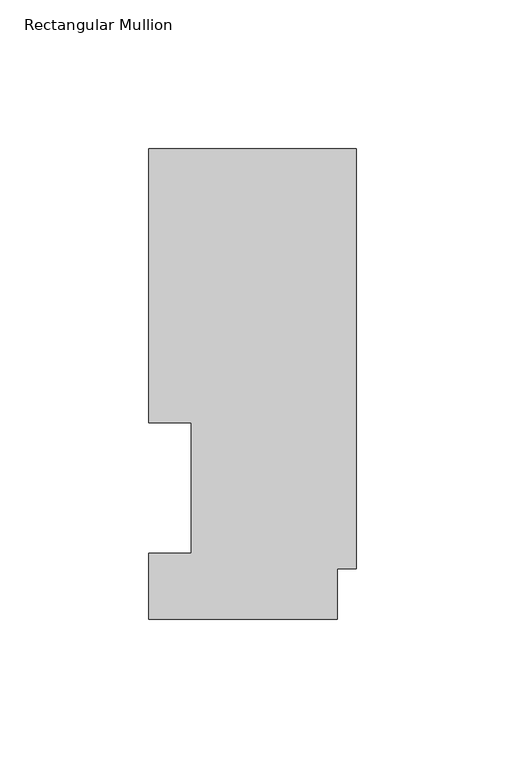
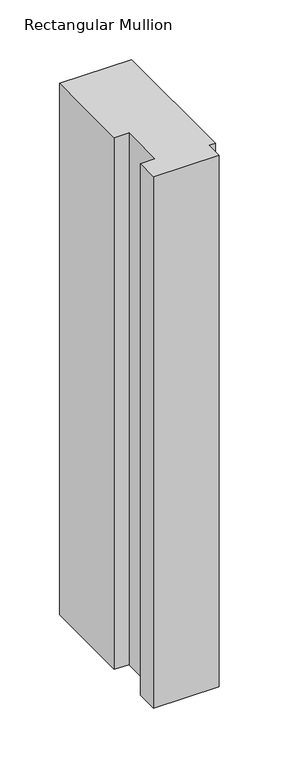
"""IFC4 building model written with IfcOpenShell, lengths in millimetres: member geometry, Rectangular Mullion."""

import ifcopenshell
import ifcopenshell.guid

model = None  # the IFC model being written
_history = None  # IfcOwnerHistory: only IFC2X3 demands one
_inside = {}  # id of a spatial element -> (the spatial element, [elements in it])
_under = {}  # id of a project, library or spatial element -> (it, [spatial elements below it])
_declared = {}  # id of a project -> (the project, [libraries it declares])
_typed = {}  # id of a type object -> (the type object, [elements of that type])
_made_of = {}  # id of a material, layer set ... -> (it, [elements and type objects made of it])


def new_model(schema):
    """Start an empty IFC model of exactly this schema.

    Asked for "IFC4X3", IfcOpenShell would pick the latest addendum, in which some entities
    have other attributes; the version numbers below select the first issue.
    IFC2X3 requires an IfcOwnerHistory on every rooted entity: one is made here for all.
    """
    global model, _history
    if schema == "IFC4X3":
        model = ifcopenshell.file(schema_version=(4, 3, 0, 0))
    else:
        model = ifcopenshell.file(schema=schema)
    _inside.clear()
    _under.clear()
    _declared.clear()
    _typed.clear()
    _made_of.clear()
    _history = None
    if model.schema == "IFC2X3":
        org = make("IfcOrganization", Name="unknown")
        user = make(
            "IfcPersonAndOrganization",
            ThePerson=make("IfcPerson", FamilyName="unknown"),
            TheOrganization=org,
        )
        app = make(
            "IfcApplication",
            ApplicationDeveloper=org,
            Version="unknown",
            ApplicationFullName="unknown",
            ApplicationIdentifier="unknown",
        )
        _history = make(
            "IfcOwnerHistory",
            OwningUser=user,
            OwningApplication=app,
            ChangeAction="ADDED",
            CreationDate=0,
        )
    return model


def make(cls, **values):
    """One entity of the class cls with the attributes given. An attribute that is None is left unset."""
    return model.create_entity(
        cls, **{name: value for name, value in values.items() if value is not None}
    )


def rooted(cls, **values):
    """An entity with a GlobalId (a new one), such as an element, a storey or a relation."""
    return make(cls, GlobalId=ifcopenshell.guid.new(), OwnerHistory=_history, **values)


def si_unit(unit_type, name, prefix=None):
    """IfcSIUnit, for example si_unit("LENGTHUNIT", "METRE", prefix="MILLI")."""
    return make("IfcSIUnit", UnitType=unit_type, Prefix=prefix, Name=name)


def assignment(units):
    """IfcUnitAssignment: the units of a project."""
    return None if units is None else make("IfcUnitAssignment", Units=units)


def point(xyz):
    """IfcCartesianPoint."""
    return None if xyz is None else make("IfcCartesianPoint", Coordinates=xyz)


def direction(xyz):
    """IfcDirection."""
    return None if xyz is None else make("IfcDirection", DirectionRatios=xyz)


def frame(location, z_axis=None, x_axis=None):
    """IfcAxis2Placement3D, a coordinate frame: its origin and axes. An axis left out is left unset."""
    return make(
        "IfcAxis2Placement3D",
        Location=point(location),
        Axis=direction(z_axis),
        RefDirection=direction(x_axis),
    )


def origin():
    """The frame at (0, 0, 0) with its axes left unset."""
    return frame((0.0, 0.0, 0.0))


def place(relative_to, where):
    """IfcLocalPlacement: puts the frame where relative to a parent placement (None: the world)."""
    return make(
        "IfcLocalPlacement", PlacementRelTo=relative_to, RelativePlacement=where
    )


def context(
    kind, dimensions, precision=None, world=None, true_north=None, identifier=None
):
    """IfcGeometricRepresentationContext, for example the 3D "Model" context."""
    return make(
        "IfcGeometricRepresentationContext",
        ContextIdentifier=identifier,
        ContextType=kind,
        CoordinateSpaceDimension=dimensions,
        Precision=precision,
        WorldCoordinateSystem=world,
        TrueNorth=true_north,
    )


def project(units=None, contexts=None):
    """IfcProject with its units and contexts."""
    return rooted(
        "IfcProject",
        Name="project",
        RepresentationContexts=contexts,
        UnitsInContext=assignment(units),
    )


def spatial(cls, under=None, at=None, **own):
    """A site, building, storey or space (cls), placed at a placement, below another one or the project."""
    s = rooted(cls, ObjectPlacement=at, **own)
    if under is not None:
        _under.setdefault(under.id(), (under, []))[1].append(s)
    return s


def polyline(points):
    """IfcPolyline through the points."""
    return make("IfcPolyline", Points=[point(p) for p in points])


def outline(outer, holes=None, kind="AREA"):
    """IfcArbitraryClosedProfileDef: a profile drawn as a closed curve; with holes, ...WithVoids."""
    if holes is None:
        return make("IfcArbitraryClosedProfileDef", ProfileType=kind, OuterCurve=outer)
    return make(
        "IfcArbitraryProfileDefWithVoids",
        ProfileType=kind,
        OuterCurve=outer,
        InnerCurves=holes,
    )


def extrude(swept, where, along, depth):
    """IfcExtrudedAreaSolid: the profile swept, set in the frame where, extruded along a direction by depth."""
    return make(
        "IfcExtrudedAreaSolid",
        SweptArea=swept,
        Position=where,
        ExtrudedDirection=direction(along),
        Depth=depth,
    )


def shape(context_of_items, identifier, shape_type, items):
    """IfcShapeRepresentation: the items that make up one representation, for example the "Body"."""
    return make(
        "IfcShapeRepresentation",
        ContextOfItems=context_of_items,
        RepresentationIdentifier=identifier,
        RepresentationType=shape_type,
        Items=items,
    )


def source(mapping_origin, context_of_items, identifier, shape_type, items):
    """IfcRepresentationMap: a shape defined once, which mapped items show again and again."""
    return make(
        "IfcRepresentationMap",
        MappingOrigin=mapping_origin,
        MappedRepresentation=shape(context_of_items, identifier, shape_type, items),
    )


def transform(
    local_origin,
    x_axis=None,
    y_axis=None,
    z_axis=None,
    scale=None,
    scale2=None,
    scale3=None,
    uniform=True,
):
    """IfcCartesianTransformationOperator3D, or its non-uniform kind. x_axis, y_axis, z_axis: its Axis1, 2, 3."""
    if uniform:
        return make(
            "IfcCartesianTransformationOperator3D",
            Axis1=direction(x_axis),
            Axis2=direction(y_axis),
            LocalOrigin=point(local_origin),
            Scale=scale,
            Axis3=direction(z_axis),
        )
    return make(
        "IfcCartesianTransformationOperator3DnonUniform",
        Axis1=direction(x_axis),
        Axis2=direction(y_axis),
        LocalOrigin=point(local_origin),
        Scale=scale,
        Axis3=direction(z_axis),
        Scale2=scale2,
        Scale3=scale3,
    )


def mapped(mapping_source, mapping_target):
    """IfcMappedItem: shows the shape of a source again, moved by a transform."""
    return make(
        "IfcMappedItem", MappingSource=mapping_source, MappingTarget=mapping_target
    )


def made_of(thing, what):
    """Note that an element or type object is made of a material, layer set ...; save() writes the relation."""
    if what is not None:
        _made_of.setdefault(what.id(), (what, []))[1].append(thing)
    return thing


def element(
    cls,
    number,
    at=None,
    inside=None,
    cuts=None,
    type_object=None,
    material=None,
    context=None,
    identifier="Body",
    shape_type=None,
    held_by="IfcProductDefinitionShape",
    body=None,
    shapes=None,
    **own,
):
    """One element of the class cls, such as IfcWall. Its Tag is "e" and its number.

    at: its placement. inside: the storey or other place that contains it. cuts: it is an
    opening in that element (IfcRelVoidsElement). A single representation is given by context,
    identifier, shape_type and body (its items); several are given by shapes. held_by: the class
    of the entity that holds the representations. save() writes the other relations.
    """
    e = rooted(cls, Tag="e%d" % number, ObjectPlacement=at, **own)
    if body is not None:
        shapes = [shape(context, identifier, shape_type, body)]
    if shapes is not None:
        e.Representation = make(held_by, Representations=shapes)
    if inside is not None:
        _inside.setdefault(inside.id(), (inside, []))[1].append(e)
    if cuts is not None:
        rooted(
            "IfcRelVoidsElement", RelatingBuildingElement=cuts, RelatedOpeningElement=e
        )
    if type_object is not None:
        _typed.setdefault(type_object.id(), (type_object, []))[1].append(e)
    return made_of(e, material)


def aggregate(whole, parts):
    """IfcRelAggregates: a whole, such as a stair, and the parts it consists of."""
    return rooted("IfcRelAggregates", RelatingObject=whole, RelatedObjects=parts)


def save(model, path):
    """Write the relations noted so far, then the file.

    IfcRelAggregates (storeys below a building ...), IfcRelContainedInSpatialStructure (elements
    in a storey), IfcRelDefinesByType, IfcRelAssociatesMaterial and IfcRelDeclares: one each for
    every whole, place, type object, material and project.
    """
    for whole, parts in _under.values():
        aggregate(whole, parts)
    for where, things in _inside.values():
        rooted(
            "IfcRelContainedInSpatialStructure",
            RelatedElements=things,
            RelatingStructure=where,
        )
    for kind, things in _typed.values():
        rooted("IfcRelDefinesByType", RelatedObjects=things, RelatingType=kind)
    for what, things in _made_of.values():
        rooted("IfcRelAssociatesMaterial", RelatedObjects=things, RelatingMaterial=what)
    for by, libraries in _declared.values():
        rooted("IfcRelDeclares", RelatingContext=by, RelatedDefinitions=libraries)
    model.write(path)


def rectangular_mullion_f2a6c86b(model_context):
    return source(origin(), model_context, "Body", "SweptSolid", [
        extrude(outline(polyline([(0.0, 158.2308875), (0.0, 16.9306875), (-6.35, 16.9306875), (-6.35, -0.0080424), (-69.85, -0.0080424), (-69.85, 22.1122875), (-55.5625, 22.1122875), (-55.5625, 66.0796875), (-69.85, 66.0796875), (-69.85, 158.2308875), (0.0, 158.2308875)])), frame((0.0, 0.0, -545.0099167), z_axis=(0.0, 0.0, 1.0), x_axis=(1.0, 0.0, 0.0)), (0.0, 0.0, 1.0), 545.0099167),
    ])


if __name__ == "__main__":
    model = new_model("IFC4")
    model_context = context("Model", 3, world=origin())
    ifc_project = project(units=[si_unit("LENGTHUNIT", "METRE", prefix="MILLI")], contexts=[model_context])
    site = spatial("IfcSite", under=ifc_project)
    building = spatial("IfcBuilding", under=site)
    placement = place(None, origin())
    rectangular_mullion_shape = rectangular_mullion_f2a6c86b(model_context)
    element("IfcMember", 1, ObjectType="Rectangular Mullion", at=placement, inside=building, context=model_context, shape_type="MappedRepresentation", body=[
        mapped(rectangular_mullion_shape, transform((0.0, 0.0, 0.0), x_axis=(1.0, 0.0, 0.0), y_axis=(0.0, 1.0, 0.0), z_axis=(0.0, 0.0, 1.0))),
    ])
    save(model, "model.ifc")
